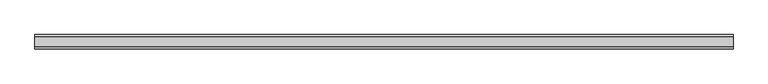
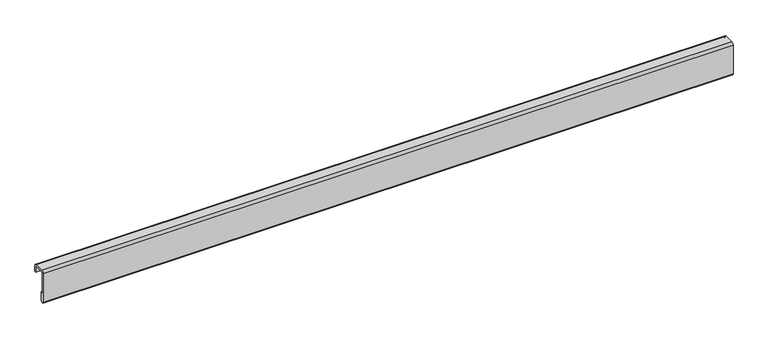
"""IFC4 building model written with IfcOpenShell, lengths in millimetres: furniture geometry."""

from ifc_helpers import new_model, si_unit, point, frame, frame_2d, origin, place, context, project, spatial, polyline, circle_curve, trimmed, segment, composite_curve, outline, extrude, source, transform, mapped, element, save


def furniture_be57a3d5(model_context):
    return source(origin(), model_context, "Body", "SweptSolid", [
        extrude(outline(composite_curve([segment(polyline([(2.152082, -37.2494993), (2.152082, 15.7095001)]), True, "CONTINUOUS"), segment(trimmed(circle_curve(frame_2d((6.3430814, 15.7095001)), 4.1909994), [point((2.152082, 15.7095001))], [point((6.3430814, 19.9004995))], False, "CARTESIAN"), True, "CONTINUOUS"), segment(polyline([(6.3430814, 19.9004995), (23.3612474, 19.9004995)]), True, "CONTINUOUS"), segment(trimmed(circle_curve(frame_2d((23.3612474, 15.709499)), 4.1910005), [point((23.3612474, 19.9004995))], [point((27.5522479, 15.709499))], False, "CARTESIAN"), True, "CONTINUOUS"), segment(polyline([(27.5522479, 15.709499), (27.5522479, 4.8192492), (24.8852479, 4.8192492), (24.8852479, 15.709499)]), True, "CONTINUOUS"), segment(trimmed(circle_curve(frame_2d((23.3612482, 15.709499)), 1.5239997), [point((24.8852479, 15.709499))], [point((23.3612482, 17.2334987))], True, "CARTESIAN"), True, "CONTINUOUS"), segment(polyline([(23.3612482, 17.2334987), (6.3432486, 17.2334987)]), True, "CONTINUOUS"), segment(trimmed(circle_curve(frame_2d((6.3432486, 15.7094966)), 1.5240021), [point((6.3432486, 17.2334987))], [point((4.8192465, 15.7094966))], True, "CARTESIAN"), True, "CONTINUOUS"), segment(polyline([(4.8192465, 15.7094966), (4.8192465, -20.9165006), (7.5862482, -20.9165006), (7.5862482, -37.2494993)]), True, "CONTINUOUS"), segment(trimmed(circle_curve(frame_2d((4.8691651, -37.2494993)), 2.7170831), [point((7.5862482, -37.2494993))], [point((2.152082, -37.2494993))], False, "CARTESIAN"), True, "CONTINUOUS")], self_intersect=False)), frame((-733.3195572, 0.0, 0.0), z_axis=(1.0, 0.0, 0.0), x_axis=(0.0, 1.0, 0.0)), (0.0, 0.0, 1.0), 1219.2),
    ])


if __name__ == "__main__":
    model = new_model("IFC4")
    model_context = context("Model", 3, world=origin())
    ifc_project = project(units=[si_unit("LENGTHUNIT", "METRE", prefix="MILLI")], contexts=[model_context])
    site = spatial("IfcSite", under=ifc_project)
    building = spatial("IfcBuilding", under=site)
    placement = place(None, origin())
    furniture_shape = furniture_be57a3d5(model_context)
    element("IfcFurniture", 1, at=placement, inside=building, context=model_context, shape_type="MappedRepresentation", body=[
        mapped(furniture_shape, transform((0.0, 0.0, 0.0), x_axis=(1.0, 0.0, 0.0), y_axis=(0.0, 1.0, 0.0), z_axis=(0.0, 0.0, 1.0))),
    ])
    save(model, "model.ifc")
